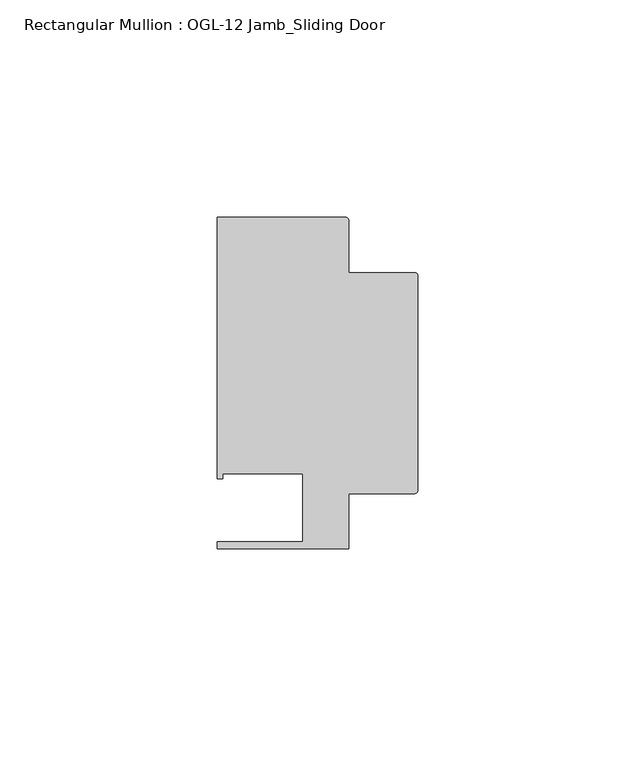
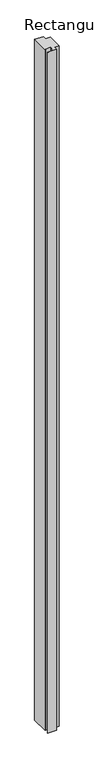
"""IFC4 building model written with IfcOpenShell, lengths in millimetres: member geometry, Rectangular Mullion : OGL-12 Jamb_Sliding Door."""

import ifcopenshell
import ifcopenshell.guid

model = None  # the IFC model being written
_history = None  # IfcOwnerHistory: only IFC2X3 demands one
_inside = {}  # id of a spatial element -> (the spatial element, [elements in it])
_under = {}  # id of a project, library or spatial element -> (it, [spatial elements below it])
_declared = {}  # id of a project -> (the project, [libraries it declares])
_typed = {}  # id of a type object -> (the type object, [elements of that type])
_made_of = {}  # id of a material, layer set ... -> (it, [elements and type objects made of it])


def new_model(schema):
    """Start an empty IFC model of exactly this schema.

    Asked for "IFC4X3", IfcOpenShell would pick the latest addendum, in which some entities
    have other attributes; the version numbers below select the first issue.
    IFC2X3 requires an IfcOwnerHistory on every rooted entity: one is made here for all.
    """
    global model, _history
    if schema == "IFC4X3":
        model = ifcopenshell.file(schema_version=(4, 3, 0, 0))
    else:
        model = ifcopenshell.file(schema=schema)
    _inside.clear()
    _under.clear()
    _declared.clear()
    _typed.clear()
    _made_of.clear()
    _history = None
    if model.schema == "IFC2X3":
        org = make("IfcOrganization", Name="unknown")
        user = make(
            "IfcPersonAndOrganization",
            ThePerson=make("IfcPerson", FamilyName="unknown"),
            TheOrganization=org,
        )
        app = make(
            "IfcApplication",
            ApplicationDeveloper=org,
            Version="unknown",
            ApplicationFullName="unknown",
            ApplicationIdentifier="unknown",
        )
        _history = make(
            "IfcOwnerHistory",
            OwningUser=user,
            OwningApplication=app,
            ChangeAction="ADDED",
            CreationDate=0,
        )
    return model


def make(cls, **values):
    """One entity of the class cls with the attributes given. An attribute that is None is left unset."""
    return model.create_entity(
        cls, **{name: value for name, value in values.items() if value is not None}
    )


def rooted(cls, **values):
    """An entity with a GlobalId (a new one), such as an element, a storey or a relation."""
    return make(cls, GlobalId=ifcopenshell.guid.new(), OwnerHistory=_history, **values)


def si_unit(unit_type, name, prefix=None):
    """IfcSIUnit, for example si_unit("LENGTHUNIT", "METRE", prefix="MILLI")."""
    return make("IfcSIUnit", UnitType=unit_type, Prefix=prefix, Name=name)


def assignment(units):
    """IfcUnitAssignment: the units of a project."""
    return None if units is None else make("IfcUnitAssignment", Units=units)


def point(xyz):
    """IfcCartesianPoint."""
    return None if xyz is None else make("IfcCartesianPoint", Coordinates=xyz)


def direction(xyz):
    """IfcDirection."""
    return None if xyz is None else make("IfcDirection", DirectionRatios=xyz)


def frame(location, z_axis=None, x_axis=None):
    """IfcAxis2Placement3D, a coordinate frame: its origin and axes. An axis left out is left unset."""
    return make(
        "IfcAxis2Placement3D",
        Location=point(location),
        Axis=direction(z_axis),
        RefDirection=direction(x_axis),
    )


def frame_2d(location, x_axis=None):
    """IfcAxis2Placement2D, a coordinate frame in the plane: its origin and x axis."""
    return make(
        "IfcAxis2Placement2D", Location=point(location), RefDirection=direction(x_axis)
    )


def origin():
    """The frame at (0, 0, 0) with its axes left unset."""
    return frame((0.0, 0.0, 0.0))


def place(relative_to, where):
    """IfcLocalPlacement: puts the frame where relative to a parent placement (None: the world)."""
    return make(
        "IfcLocalPlacement", PlacementRelTo=relative_to, RelativePlacement=where
    )


def context(
    kind, dimensions, precision=None, world=None, true_north=None, identifier=None
):
    """IfcGeometricRepresentationContext, for example the 3D "Model" context."""
    return make(
        "IfcGeometricRepresentationContext",
        ContextIdentifier=identifier,
        ContextType=kind,
        CoordinateSpaceDimension=dimensions,
        Precision=precision,
        WorldCoordinateSystem=world,
        TrueNorth=true_north,
    )


def project(units=None, contexts=None):
    """IfcProject with its units and contexts."""
    return rooted(
        "IfcProject",
        Name="project",
        RepresentationContexts=contexts,
        UnitsInContext=assignment(units),
    )


def spatial(cls, under=None, at=None, **own):
    """A site, building, storey or space (cls), placed at a placement, below another one or the project."""
    s = rooted(cls, ObjectPlacement=at, **own)
    if under is not None:
        _under.setdefault(under.id(), (under, []))[1].append(s)
    return s


def polyline(points):
    """IfcPolyline through the points."""
    return make("IfcPolyline", Points=[point(p) for p in points])


def circle_curve(where, radius):
    """IfcCircle in the frame where."""
    return make("IfcCircle", Position=where, Radius=radius)


def trimmed(basis, trim1, trim2, sense, master):
    """IfcTrimmedCurve: the piece of a basis curve between two trims."""
    return make(
        "IfcTrimmedCurve",
        BasisCurve=basis,
        Trim1=trim1,
        Trim2=trim2,
        SenseAgreement=sense,
        MasterRepresentation=master,
    )


def segment(curve, same_sense, transition):
    """IfcCompositeCurveSegment."""
    return make(
        "IfcCompositeCurveSegment",
        Transition=transition,
        SameSense=same_sense,
        ParentCurve=curve,
    )


def composite_curve(segments, self_intersect=None):
    """IfcCompositeCurve: segments joined end to end."""
    return make("IfcCompositeCurve", Segments=segments, SelfIntersect=self_intersect)


def outline(outer, holes=None, kind="AREA"):
    """IfcArbitraryClosedProfileDef: a profile drawn as a closed curve; with holes, ...WithVoids."""
    if holes is None:
        return make("IfcArbitraryClosedProfileDef", ProfileType=kind, OuterCurve=outer)
    return make(
        "IfcArbitraryProfileDefWithVoids",
        ProfileType=kind,
        OuterCurve=outer,
        InnerCurves=holes,
    )


def extrude(swept, where, along, depth):
    """IfcExtrudedAreaSolid: the profile swept, set in the frame where, extruded along a direction by depth."""
    return make(
        "IfcExtrudedAreaSolid",
        SweptArea=swept,
        Position=where,
        ExtrudedDirection=direction(along),
        Depth=depth,
    )


def shape(context_of_items, identifier, shape_type, items):
    """IfcShapeRepresentation: the items that make up one representation, for example the "Body"."""
    return make(
        "IfcShapeRepresentation",
        ContextOfItems=context_of_items,
        RepresentationIdentifier=identifier,
        RepresentationType=shape_type,
        Items=items,
    )


def source(mapping_origin, context_of_items, identifier, shape_type, items):
    """IfcRepresentationMap: a shape defined once, which mapped items show again and again."""
    return make(
        "IfcRepresentationMap",
        MappingOrigin=mapping_origin,
        MappedRepresentation=shape(context_of_items, identifier, shape_type, items),
    )


def transform(
    local_origin,
    x_axis=None,
    y_axis=None,
    z_axis=None,
    scale=None,
    scale2=None,
    scale3=None,
    uniform=True,
):
    """IfcCartesianTransformationOperator3D, or its non-uniform kind. x_axis, y_axis, z_axis: its Axis1, 2, 3."""
    if uniform:
        return make(
            "IfcCartesianTransformationOperator3D",
            Axis1=direction(x_axis),
            Axis2=direction(y_axis),
            LocalOrigin=point(local_origin),
            Scale=scale,
            Axis3=direction(z_axis),
        )
    return make(
        "IfcCartesianTransformationOperator3DnonUniform",
        Axis1=direction(x_axis),
        Axis2=direction(y_axis),
        LocalOrigin=point(local_origin),
        Scale=scale,
        Axis3=direction(z_axis),
        Scale2=scale2,
        Scale3=scale3,
    )


def mapped(mapping_source, mapping_target):
    """IfcMappedItem: shows the shape of a source again, moved by a transform."""
    return make(
        "IfcMappedItem", MappingSource=mapping_source, MappingTarget=mapping_target
    )


def made_of(thing, what):
    """Note that an element or type object is made of a material, layer set ...; save() writes the relation."""
    if what is not None:
        _made_of.setdefault(what.id(), (what, []))[1].append(thing)
    return thing


def element(
    cls,
    number,
    at=None,
    inside=None,
    cuts=None,
    type_object=None,
    material=None,
    context=None,
    identifier="Body",
    shape_type=None,
    held_by="IfcProductDefinitionShape",
    body=None,
    shapes=None,
    **own,
):
    """One element of the class cls, such as IfcWall. Its Tag is "e" and its number.

    at: its placement. inside: the storey or other place that contains it. cuts: it is an
    opening in that element (IfcRelVoidsElement). A single representation is given by context,
    identifier, shape_type and body (its items); several are given by shapes. held_by: the class
    of the entity that holds the representations. save() writes the other relations.
    """
    e = rooted(cls, Tag="e%d" % number, ObjectPlacement=at, **own)
    if body is not None:
        shapes = [shape(context, identifier, shape_type, body)]
    if shapes is not None:
        e.Representation = make(held_by, Representations=shapes)
    if inside is not None:
        _inside.setdefault(inside.id(), (inside, []))[1].append(e)
    if cuts is not None:
        rooted(
            "IfcRelVoidsElement", RelatingBuildingElement=cuts, RelatedOpeningElement=e
        )
    if type_object is not None:
        _typed.setdefault(type_object.id(), (type_object, []))[1].append(e)
    return made_of(e, material)


def aggregate(whole, parts):
    """IfcRelAggregates: a whole, such as a stair, and the parts it consists of."""
    return rooted("IfcRelAggregates", RelatingObject=whole, RelatedObjects=parts)


def save(model, path):
    """Write the relations noted so far, then the file.

    IfcRelAggregates (storeys below a building ...), IfcRelContainedInSpatialStructure (elements
    in a storey), IfcRelDefinesByType, IfcRelAssociatesMaterial and IfcRelDeclares: one each for
    every whole, place, type object, material and project.
    """
    for whole, parts in _under.values():
        aggregate(whole, parts)
    for where, things in _inside.values():
        rooted(
            "IfcRelContainedInSpatialStructure",
            RelatedElements=things,
            RelatingStructure=where,
        )
    for kind, things in _typed.values():
        rooted("IfcRelDefinesByType", RelatedObjects=things, RelatingType=kind)
    for what, things in _made_of.values():
        rooted("IfcRelAssociatesMaterial", RelatedObjects=things, RelatingMaterial=what)
    for by, libraries in _declared.values():
        rooted("IfcRelDeclares", RelatingContext=by, RelatedDefinitions=libraries)
    model.write(path)


def rectangular_mullion_ogl_12_jamb_sliding_door_83dc1ac2(model_context):
    return source(origin(), model_context, "Body", "SweptSolid", [
        extrude(outline(composite_curve([segment(trimmed(circle_curve(frame_2d((-0.5953125, 24.8046875)), 0.5953125), [point((-0.5953125, 25.4))], [point((0.0, 24.8046875))], False, "CARTESIAN"), True, "CONTINUOUS"), segment(polyline([(0.0, 24.8046875), (0.0, -24.8046875)]), True, "CONTINUOUS"), segment(trimmed(circle_curve(frame_2d((-0.5953125, -24.8046875)), 0.5953125), [point((0.0, -24.8046875))], [point((-0.5953125, -25.4))], False, "CARTESIAN"), True, "CONTINUOUS"), segment(polyline([(-0.5953125, -25.4), (-15.8750672, -25.4), (-15.8750672, -38.100016), (-46.0248655, -38.100016), (-46.0248655, -36.512516), (-26.3720794, -36.512516), (-26.3720794, -20.8257348), (-44.7780305, -20.8257348), (-44.7780305, -21.9710976), (-46.0339598, -21.9710976), (-46.0339598, 38.0996792), (-16.4703797, 38.0996792)]), True, "CONTINUOUS"), segment(trimmed(circle_curve(frame_2d((-16.4703797, 37.5043667)), 0.5953125), [point((-16.4703797, 38.0996792))], [point((-15.8750672, 37.5043667))], False, "CARTESIAN"), True, "CONTINUOUS"), segment(polyline([(-15.8750672, 37.5043667), (-15.8750672, 25.4), (-0.5953125, 25.4)]), True, "CONTINUOUS")], self_intersect=False)), frame((0.0, 0.0, -2438.4), z_axis=(0.0, 0.0, 1.0), x_axis=(1.0, 0.0, 0.0)), (0.0, 0.0, 1.0), 2438.4),
    ])


if __name__ == "__main__":
    model = new_model("IFC4")
    model_context = context("Model", 3, world=origin())
    ifc_project = project(units=[si_unit("LENGTHUNIT", "METRE", prefix="MILLI")], contexts=[model_context])
    site = spatial("IfcSite", under=ifc_project)
    building = spatial("IfcBuilding", under=site)
    placement = place(None, origin())
    rectangular_mullion_ogl_12_jamb_sliding_door_shape = rectangular_mullion_ogl_12_jamb_sliding_door_83dc1ac2(model_context)
    element("IfcMember", 1, ObjectType="Rectangular Mullion : OGL-12 Jamb_Sliding Door", at=placement, inside=building, context=model_context, shape_type="MappedRepresentation", body=[
        mapped(rectangular_mullion_ogl_12_jamb_sliding_door_shape, transform((0.0, 0.0, 0.0), x_axis=(1.0, 0.0, 0.0), y_axis=(0.0, 1.0, 0.0), z_axis=(0.0, 0.0, 1.0))),
    ])
    save(model, "model.ifc")
